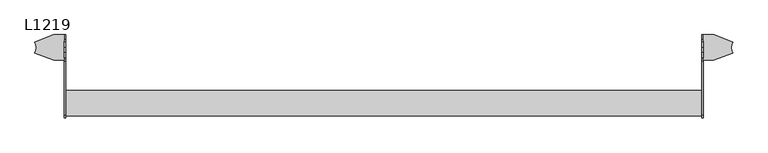
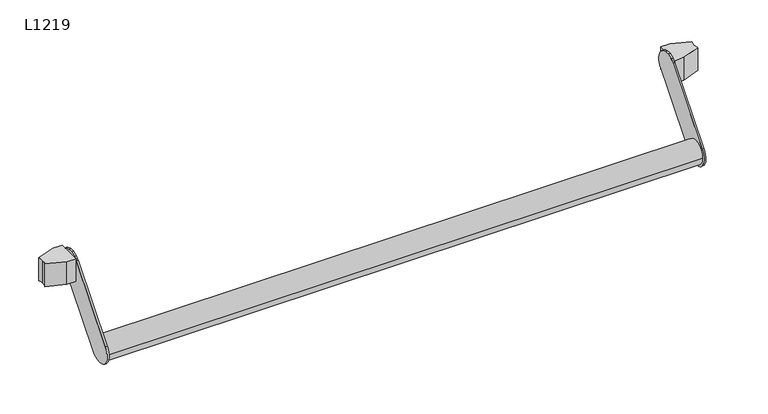
"""IFC4 building model written with IfcOpenShell, lengths in millimetres: proxy geometry, L1219."""

from ifc_helpers import new_model, si_unit, point, frame, frame_2d, origin, place, context, project, spatial, polyline, circle_curve, trimmed, segment, composite_curve, outline, extrude, source, transform, mapped, element, save
from ifc_brep_helpers import plane_surface, cylinder_surface, advanced_brep


def l1219_319e7475(model_context):
    return source(origin(), model_context, "Body", "SolidModel", [
        extrude(outline(composite_curve([segment(polyline([(1146.2841298, -17.9998512), (1146.2841298, 25.0001488), (1163.3249298, 25.0001488), (1195.3669958, 12.8789725)]), True, "CONTINUOUS"), segment(trimmed(circle_curve(frame_2d((1217.7841247, 3.5001488)), 24.3), [point((1195.3669958, 12.8789725))], [point((1193.4841247, 3.5001488))], True, "CARTESIAN"), True, "CONTINUOUS"), segment(trimmed(circle_curve(frame_2d((1217.7841247, 3.5001488)), 24.3), [point((1193.4841247, 3.5001488))], [point((1195.3669958, -5.8786749))], True, "CARTESIAN"), True, "CONTINUOUS"), segment(polyline([(1195.3669958, -5.8786749), (1163.3249298, -17.9998512), (1146.2841298, -17.9998512)]), True, "CONTINUOUS")], self_intersect=False)), frame((0.0, 0.0, -21.5), z_axis=(0.0, 0.0, 1.0), x_axis=(1.0, 0.0, 0.0)), (0.0, 0.0, 1.0), 43.0),
        extrude(outline(composite_curve([segment(polyline([(69.7954674, -17.9998512), (52.7546674, -17.9998512), (20.7126014, -5.8786749)]), True, "CONTINUOUS"), segment(trimmed(circle_curve(frame_2d((-1.7045275, 3.5001488)), 24.3), [point((20.7126014, -5.8786749))], [point((22.5954725, 3.5001488))], True, "CARTESIAN"), True, "CONTINUOUS"), segment(trimmed(circle_curve(frame_2d((-1.7045275, 3.5001488)), 24.3), [point((22.5954725, 3.5001488))], [point((20.7126014, 12.8789725))], True, "CARTESIAN"), True, "CONTINUOUS"), segment(polyline([(20.7126014, 12.8789725), (52.7546674, 25.0001488), (69.7954674, 25.0001488), (69.7954674, -17.9998512)]), True, "CONTINUOUS")], self_intersect=False)), frame((0.0, 0.0, -21.5), z_axis=(0.0, 0.0, 1.0), x_axis=(1.0, 0.0, 0.0)), (0.0, 0.0, 1.0), 43.0),
        advanced_brep(
        [(1143.0841023, -71.4170946, -122.0320182), (1143.0841023, -109.7540265, -89.9334299), (1143.0841023, -19.1532386, 18.0674174), (1143.0841023, -13.564759, 23.0001302), (1143.0841023, -4.0000184, 26.6780861), (1143.0841023, 4.0000533, 26.678085), (1143.0841023, 13.5647929, 23.0001265), (1143.0841023, 17.5001651, 19.8536704), (1143.0841023, 19.1532686, -14.0675085), (1143.0841023, 11.6596821, -23.0002552), (1143.0841023, 4.0001362, -32.1309487), (1143.0841023, -4.000061, -41.6673923), (1146.2841298, -71.4170946, -122.0320182), (1146.2841298, -4.000061, -41.6673923), (1146.2841298, 4.0672955, -32.0506818), (1146.2841298, 11.6596821, -23.0002552), (1146.2841298, 19.1532686, -14.0675085), (1146.2841298, 17.5001651, 19.8536704), (1146.2841298, 13.5647929, 23.0001265), (1146.2841298, 4.0000533, 26.678085), (1146.2841298, -4.0000184, 26.6780861), (1146.2841298, -13.564759, 23.0001302), (1146.2841298, -19.1532386, 18.0674174), (1146.2841298, -109.7540271, -89.9334352)],
        [
            (0, 1, circle_curve(frame((1143.0841023, -90.600769, -106.0008883), z_axis=(-1.0, 0.0, 0.0), x_axis=(0.0, 1.0, 0.0)), 25.0002098)),
            (1, 2),
            (2, 3, circle_curve(frame((1143.0841023, 1.42e-05, 1.9999535), z_axis=(-1.0, 0.0, 0.0), x_axis=(0.0, 1.0, 0.0)), 25.0002098)),
            (3, 4, circle_curve(frame((1143.0841023, 1.42e-05, 1.9999535), z_axis=(-1.0, 0.0, 0.0), x_axis=(0.0, 1.0, 0.0)), 25.0002098)),
            (4, 5, circle_curve(frame((1143.0841023, 1.42e-05, 1.9999535), z_axis=(-1.0, 0.0, 0.0), x_axis=(0.0, 1.0, 0.0)), 25.0002098)),
            (5, 6, circle_curve(frame((1143.0841023, 1.42e-05, 1.9999535), z_axis=(-1.0, 0.0, 0.0), x_axis=(0.0, 1.0, 0.0)), 25.0002098)),
            (6, 7, circle_curve(frame((1143.0841023, 1.42e-05, 1.9999535), z_axis=(-1.0, 0.0, 0.0), x_axis=(0.0, 1.0, 0.0)), 25.0002098)),
            (7, 8, circle_curve(frame((1143.0841023, 1.42e-05, 1.9999535), z_axis=(-1.0, 0.0, 0.0), x_axis=(0.0, 1.0, 0.0)), 25.0002098)),
            (8, 9),
            (9, 10),
            (10, 11),
            (11, 0),
            (12, 13),
            (13, 14),
            (14, 15),
            (15, 16),
            (16, 17, circle_curve(frame((1146.2841298, 1.42e-05, 1.9999535), z_axis=(1.0, 0.0, 0.0), x_axis=(0.0, 1.0, 0.0)), 25.0002098)),
            (17, 18, circle_curve(frame((1146.2841298, 1.42e-05, 1.9999535), z_axis=(1.0, 0.0, 0.0), x_axis=(0.0, 1.0, 0.0)), 25.0002098)),
            (18, 19, circle_curve(frame((1146.2841298, 1.42e-05, 1.9999535), z_axis=(1.0, 0.0, 0.0), x_axis=(0.0, 1.0, 0.0)), 25.0002098)),
            (19, 20, circle_curve(frame((1146.2841298, 1.42e-05, 1.9999535), z_axis=(1.0, 0.0, 0.0), x_axis=(0.0, 1.0, 0.0)), 25.0002098)),
            (20, 21, circle_curve(frame((1146.2841298, 1.42e-05, 1.9999535), z_axis=(1.0, 0.0, 0.0), x_axis=(0.0, 1.0, 0.0)), 25.0002098)),
            (21, 22, circle_curve(frame((1146.2841298, 1.42e-05, 1.9999535), z_axis=(1.0, 0.0, 0.0), x_axis=(0.0, 1.0, 0.0)), 25.0002098)),
            (22, 23),
            (23, 12, circle_curve(frame((1146.2841298, -90.600769, -106.0008883), z_axis=(1.0, 0.0, 0.0), x_axis=(0.0, 1.0, 0.0)), 25.0002098)),
            (11, 13),
            (12, 0),
            (10, 14),
            (9, 15),
            (8, 16),
            (7, 17),
            (6, 18),
            (5, 19),
            (4, 20),
            (3, 21),
            (2, 22),
            (1, 23),
        ],
        [
            plane_surface(frame((1143.0841023, -65.6005592, -106.0008883), z_axis=(-1.0, 0.0, 0.0), x_axis=(0.0, 0.0, -1.0))),
            plane_surface(frame((1146.2841298, -65.6005592, -106.0008883), z_axis=(1.0, 0.0, 0.0), x_axis=(0.0, 0.0, 1.0))),
            plane_surface(frame((1143.0841023, -4.000061, -41.6673923), z_axis=(0.0, 0.7661237421052067, -0.6426930929944049), x_axis=(1.0, 0.0, 0.0))),
            plane_surface(frame((1143.0841023, 4.0672955, -32.0506818), z_axis=(0.0, 0.7661237421052063, -0.6426930929944054), x_axis=(1.0, 0.0, 0.0))),
            plane_surface(frame((1143.0841023, 11.6596821, -23.0002552), z_axis=(0.0, 0.76612771316332, -0.6426883592559786), x_axis=(1.0, 0.0, 0.0))),
            plane_surface(frame((1143.0841023, 19.1532686, -14.0675085), z_axis=(0.0, 0.7661237488197741, -0.6426930849902898), x_axis=(1.0, 0.0, 0.0))),
            cylinder_surface(frame((1146.2841298, 1.42e-05, 1.9999535), z_axis=(-1.0, 0.0, 0.0), x_axis=(0.0, 1.0, 0.0)), 25.0002098),
            plane_surface(frame((1143.0841023, -109.7540271, -89.9334352), z_axis=(0.0, -0.7661236823283201, 0.6426931642515699), x_axis=(1.0, 0.0, 0.0))),
            cylinder_surface(frame((1146.2841298, -90.600769, -106.0008883), z_axis=(-1.0, 0.0, 0.0), x_axis=(0.0, 1.0, 0.0)), 25.0002098),
        ],
        [
            (0, [[1, 2, 3, 4, 5, 6, 7, 8, 9, 10, 11, 12]]),
            (1, [[13, 14, 15, 16, 17, 18, 19, 20, 21, 22, 23, 24]]),
            (2, [[-12, 25, -13, 26]]),
            (3, [[-11, 27, -14, -25]]),
            (4, [[-10, 28, -15, -27]]),
            (5, [[-9, 29, -16, -28]]),
            (6, [[-8, 30, -17, -29]]),
            (6, [[-7, 31, -18, -30]]),
            (6, [[-6, 32, -19, -31]]),
            (6, [[-5, 33, -20, -32]]),
            (6, [[-4, 34, -21, -33]]),
            (6, [[-3, 35, -22, -34]]),
            (7, [[-2, 36, -23, -35]]),
            (8, [[-1, -26, -24, -36]]),
        ],
    ),
        advanced_brep(
        [(72.9954948, -71.4170946, -122.0320182), (72.9954948, -4.000061, -41.6673923), (72.9954948, 4.0672955, -32.0506818), (72.9954948, 11.6596069, -23.0001922), (72.9954948, 19.1531934, -14.0674454), (72.9954948, 17.5000899, 19.8537334), (72.9954948, 13.5647177, 23.0001896), (72.9954948, 3.9999781, 26.6781481), (72.9954948, -4.0000936, 26.6781492), (72.9954948, -13.5648342, 23.0001932), (72.9954948, -19.1533138, 18.0674805), (72.9954948, -109.7541023, -89.9333721), (69.7954674, -71.4170946, -122.0320182), (69.7954674, -109.7540265, -89.9334299), (69.7954674, -19.1533138, 18.0674805), (69.7954674, -13.5648342, 23.0001932), (69.7954674, -4.0000936, 26.6781492), (69.7954674, 3.9999781, 26.6781481), (69.7954674, 13.5647177, 23.0001896), (69.7954674, 17.5000899, 19.8537334), (69.7954674, 19.1531934, -14.0674454), (69.7954674, 11.6596069, -23.0001922), (69.7954674, 4.000061, -32.1308856), (69.7954674, -4.000061, -41.6673923)],
        [
            (0, 1),
            (1, 2),
            (2, 3),
            (3, 4),
            (4, 5, circle_curve(frame((72.9954948, -6.1e-05, 2.0000166), z_axis=(1.0, 0.0, 0.0), x_axis=(0.0, 1.0, 0.0)), 25.0002098)),
            (5, 6, circle_curve(frame((72.9954948, -6.1e-05, 2.0000166), z_axis=(1.0, 0.0, 0.0), x_axis=(0.0, 1.0, 0.0)), 25.0002098)),
            (6, 7, circle_curve(frame((72.9954948, -6.1e-05, 2.0000166), z_axis=(1.0, 0.0, 0.0), x_axis=(0.0, 1.0, 0.0)), 25.0002098)),
            (7, 8, circle_curve(frame((72.9954948, -6.1e-05, 2.0000166), z_axis=(1.0, 0.0, 0.0), x_axis=(0.0, 1.0, 0.0)), 25.0002098)),
            (8, 9, circle_curve(frame((72.9954948, -6.1e-05, 2.0000166), z_axis=(1.0, 0.0, 0.0), x_axis=(0.0, 1.0, 0.0)), 25.0002098)),
            (9, 10, circle_curve(frame((72.9954948, -6.1e-05, 2.0000166), z_axis=(1.0, 0.0, 0.0), x_axis=(0.0, 1.0, 0.0)), 25.0002098)),
            (10, 11),
            (11, 0, circle_curve(frame((72.9954948, -90.600769, -106.0008883), z_axis=(1.0, 0.0, 0.0), x_axis=(0.0, 1.0, 0.0)), 25.0002098)),
            (12, 13, circle_curve(frame((69.7954674, -90.600769, -106.0008883), z_axis=(-1.0, 0.0, 0.0), x_axis=(0.0, 1.0, 0.0)), 25.0002098)),
            (13, 14),
            (14, 15, circle_curve(frame((69.7954674, -6.1e-05, 2.0000166), z_axis=(-1.0, 0.0, 0.0), x_axis=(0.0, 1.0, 0.0)), 25.0002098)),
            (15, 16, circle_curve(frame((69.7954674, -6.1e-05, 2.0000166), z_axis=(-1.0, 0.0, 0.0), x_axis=(0.0, 1.0, 0.0)), 25.0002098)),
            (16, 17, circle_curve(frame((69.7954674, -6.1e-05, 2.0000166), z_axis=(-1.0, 0.0, 0.0), x_axis=(0.0, 1.0, 0.0)), 25.0002098)),
            (17, 18, circle_curve(frame((69.7954674, -6.1e-05, 2.0000166), z_axis=(-1.0, 0.0, 0.0), x_axis=(0.0, 1.0, 0.0)), 25.0002098)),
            (18, 19, circle_curve(frame((69.7954674, -6.1e-05, 2.0000166), z_axis=(-1.0, 0.0, 0.0), x_axis=(0.0, 1.0, 0.0)), 25.0002098)),
            (19, 20, circle_curve(frame((69.7954674, -6.1e-05, 2.0000166), z_axis=(-1.0, 0.0, 0.0), x_axis=(0.0, 1.0, 0.0)), 25.0002098)),
            (20, 21),
            (21, 22),
            (22, 23),
            (23, 12),
            (0, 12),
            (23, 1),
            (22, 2),
            (21, 3),
            (20, 4),
            (19, 5),
            (18, 6),
            (17, 7),
            (16, 8),
            (15, 9),
            (14, 10),
            (13, 11),
        ],
        [
            plane_surface(frame((72.9954948, -71.4475708, -122.0683475), z_axis=(1.0, 0.0, 0.0), x_axis=(0.0, 0.6426930929944049, 0.7661237421052067))),
            plane_surface(frame((69.7954674, -71.4475708, -122.0683475), z_axis=(-1.0, 0.0, 0.0), x_axis=(0.0, -0.6426930929944049, -0.7661237421052067))),
            plane_surface(frame((72.9954948, -71.4170946, -122.0320182), z_axis=(0.0, 0.7661237421052067, -0.6426930929944049), x_axis=(-1.0, 0.0, 0.0))),
            plane_surface(frame((72.9954948, -4.000061, -41.6673923), z_axis=(0.0, 0.7661237421052066, -0.642693092994405), x_axis=(-1.0, 0.0, 0.0))),
            plane_surface(frame((72.9954948, 4.000061, -32.1308856), z_axis=(0.0, 0.76612771316332, -0.6426883592559786), x_axis=(-1.0, 0.0, 0.0))),
            plane_surface(frame((72.9954948, 11.6596069, -23.0001922), z_axis=(0.0, 0.7661237488197741, -0.6426930849902898), x_axis=(-1.0, 0.0, 0.0))),
            cylinder_surface(frame((69.7954674, -6.1e-05, 2.0000166), z_axis=(1.0, 0.0, 0.0), x_axis=(0.0, 1.0, 0.0)), 25.0002098),
            plane_surface(frame((72.9954948, -19.1533138, 18.0674805), z_axis=(0.0, -0.7661236823284079, 0.6426931642514652), x_axis=(-1.0, 0.0, 0.0))),
            cylinder_surface(frame((69.7954674, -90.600769, -106.0008883), z_axis=(1.0, 0.0, 0.0), x_axis=(0.0, 1.0, 0.0)), 25.0002098),
        ],
        [
            (0, [[1, 2, 3, 4, 5, 6, 7, 8, 9, 10, 11, 12]]),
            (1, [[13, 14, 15, 16, 17, 18, 19, 20, 21, 22, 23, 24]]),
            (2, [[-1, 25, -24, 26]]),
            (3, [[-2, -26, -23, 27]]),
            (4, [[-3, -27, -22, 28]]),
            (5, [[-4, -28, -21, 29]]),
            (6, [[-5, -29, -20, 30]]),
            (6, [[-6, -30, -19, 31]]),
            (6, [[-7, -31, -18, 32]]),
            (6, [[-8, -32, -17, 33]]),
            (6, [[-9, -33, -16, 34]]),
            (6, [[-10, -34, -15, 35]]),
            (7, [[-11, -35, -14, 36]]),
            (8, [[-12, -36, -13, -25]]),
        ],
    ),
        extrude(outline(composite_curve([segment(trimmed(circle_curve(frame_2d((-90.6008005, -106.000888)), 21.35), [point((-111.9508005, -106.000888))], [point((-69.2508005, -106.000888))], False, "CARTESIAN"), True, "CONTINUOUS"), segment(trimmed(circle_curve(frame_2d((-90.6008005, -106.000888)), 21.35), [point((-69.2508005, -106.000888))], [point((-111.9508005, -106.000888))], False, "CARTESIAN"), True, "CONTINUOUS")], self_intersect=False)), frame((72.9954948, 0.0, 0.0), z_axis=(1.0, 0.0, 0.0), x_axis=(0.0, 1.0, 0.0)), (0.0, 0.0, 1.0), 1070.0886075),
    ])


if __name__ == "__main__":
    model = new_model("IFC4")
    model_context = context("Model", 3, world=origin())
    ifc_project = project(units=[si_unit("LENGTHUNIT", "METRE", prefix="MILLI")], contexts=[model_context])
    site = spatial("IfcSite", under=ifc_project)
    building = spatial("IfcBuilding", under=site)
    placement = place(None, origin())
    l1219_shape = l1219_319e7475(model_context)
    element("IfcBuildingElementProxy", 1, Name="L1219", ObjectType="L1219", at=placement, inside=building, context=model_context, shape_type="MappedRepresentation", body=[
        mapped(l1219_shape, transform((0.0, 0.0, 0.0), x_axis=(1.0, 0.0, 0.0), y_axis=(0.0, 1.0, 0.0), z_axis=(0.0, 0.0, 1.0))),
    ])
    save(model, "model.ifc")
